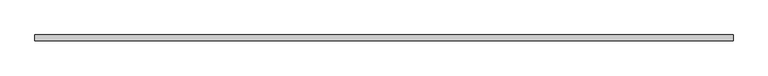
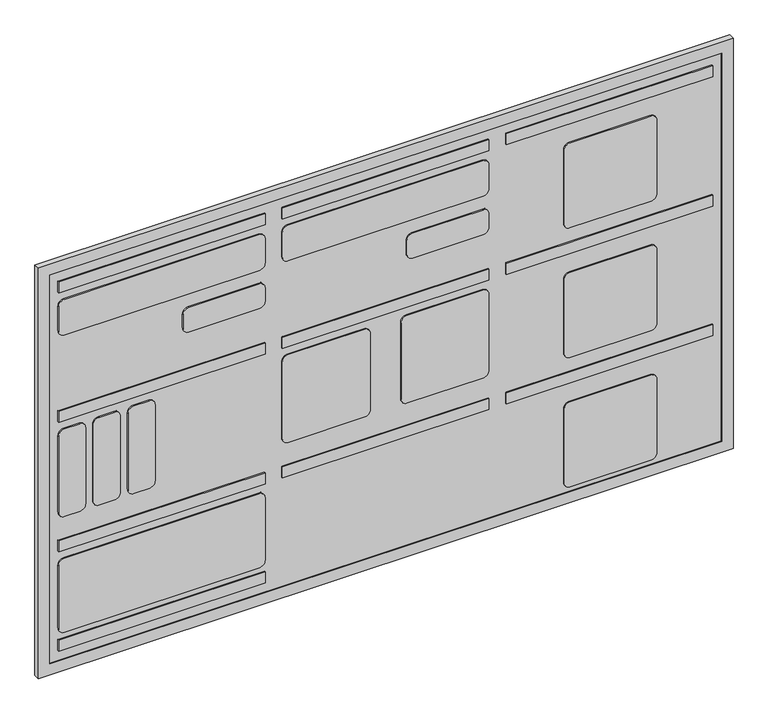
"""IFC4 building model written with IfcOpenShell, lengths in millimetres: proxy geometry."""

import ifcopenshell
import ifcopenshell.guid

model = None  # the IFC model being written
_history = None  # IfcOwnerHistory: only IFC2X3 demands one
_inside = {}  # id of a spatial element -> (the spatial element, [elements in it])
_under = {}  # id of a project, library or spatial element -> (it, [spatial elements below it])
_declared = {}  # id of a project -> (the project, [libraries it declares])
_typed = {}  # id of a type object -> (the type object, [elements of that type])
_made_of = {}  # id of a material, layer set ... -> (it, [elements and type objects made of it])


def new_model(schema):
    """Start an empty IFC model of exactly this schema.

    Asked for "IFC4X3", IfcOpenShell would pick the latest addendum, in which some entities
    have other attributes; the version numbers below select the first issue.
    IFC2X3 requires an IfcOwnerHistory on every rooted entity: one is made here for all.
    """
    global model, _history
    if schema == "IFC4X3":
        model = ifcopenshell.file(schema_version=(4, 3, 0, 0))
    else:
        model = ifcopenshell.file(schema=schema)
    _inside.clear()
    _under.clear()
    _declared.clear()
    _typed.clear()
    _made_of.clear()
    _history = None
    if model.schema == "IFC2X3":
        org = make("IfcOrganization", Name="unknown")
        user = make(
            "IfcPersonAndOrganization",
            ThePerson=make("IfcPerson", FamilyName="unknown"),
            TheOrganization=org,
        )
        app = make(
            "IfcApplication",
            ApplicationDeveloper=org,
            Version="unknown",
            ApplicationFullName="unknown",
            ApplicationIdentifier="unknown",
        )
        _history = make(
            "IfcOwnerHistory",
            OwningUser=user,
            OwningApplication=app,
            ChangeAction="ADDED",
            CreationDate=0,
        )
    return model


def make(cls, **values):
    """One entity of the class cls with the attributes given. An attribute that is None is left unset."""
    return model.create_entity(
        cls, **{name: value for name, value in values.items() if value is not None}
    )


def rooted(cls, **values):
    """An entity with a GlobalId (a new one), such as an element, a storey or a relation."""
    return make(cls, GlobalId=ifcopenshell.guid.new(), OwnerHistory=_history, **values)


def si_unit(unit_type, name, prefix=None):
    """IfcSIUnit, for example si_unit("LENGTHUNIT", "METRE", prefix="MILLI")."""
    return make("IfcSIUnit", UnitType=unit_type, Prefix=prefix, Name=name)


def assignment(units):
    """IfcUnitAssignment: the units of a project."""
    return None if units is None else make("IfcUnitAssignment", Units=units)


def point(xyz):
    """IfcCartesianPoint."""
    return None if xyz is None else make("IfcCartesianPoint", Coordinates=xyz)


def direction(xyz):
    """IfcDirection."""
    return None if xyz is None else make("IfcDirection", DirectionRatios=xyz)


def frame(location, z_axis=None, x_axis=None):
    """IfcAxis2Placement3D, a coordinate frame: its origin and axes. An axis left out is left unset."""
    return make(
        "IfcAxis2Placement3D",
        Location=point(location),
        Axis=direction(z_axis),
        RefDirection=direction(x_axis),
    )


def frame_2d(location, x_axis=None):
    """IfcAxis2Placement2D, a coordinate frame in the plane: its origin and x axis."""
    return make(
        "IfcAxis2Placement2D", Location=point(location), RefDirection=direction(x_axis)
    )


def origin():
    """The frame at (0, 0, 0) with its axes left unset."""
    return frame((0.0, 0.0, 0.0))


def place(relative_to, where):
    """IfcLocalPlacement: puts the frame where relative to a parent placement (None: the world)."""
    return make(
        "IfcLocalPlacement", PlacementRelTo=relative_to, RelativePlacement=where
    )


def context(
    kind, dimensions, precision=None, world=None, true_north=None, identifier=None
):
    """IfcGeometricRepresentationContext, for example the 3D "Model" context."""
    return make(
        "IfcGeometricRepresentationContext",
        ContextIdentifier=identifier,
        ContextType=kind,
        CoordinateSpaceDimension=dimensions,
        Precision=precision,
        WorldCoordinateSystem=world,
        TrueNorth=true_north,
    )


def project(units=None, contexts=None):
    """IfcProject with its units and contexts."""
    return rooted(
        "IfcProject",
        Name="project",
        RepresentationContexts=contexts,
        UnitsInContext=assignment(units),
    )


def spatial(cls, under=None, at=None, **own):
    """A site, building, storey or space (cls), placed at a placement, below another one or the project."""
    s = rooted(cls, ObjectPlacement=at, **own)
    if under is not None:
        _under.setdefault(under.id(), (under, []))[1].append(s)
    return s


def polyline(points):
    """IfcPolyline through the points."""
    return make("IfcPolyline", Points=[point(p) for p in points])


def circle_curve(where, radius):
    """IfcCircle in the frame where."""
    return make("IfcCircle", Position=where, Radius=radius)


def trimmed(basis, trim1, trim2, sense, master):
    """IfcTrimmedCurve: the piece of a basis curve between two trims."""
    return make(
        "IfcTrimmedCurve",
        BasisCurve=basis,
        Trim1=trim1,
        Trim2=trim2,
        SenseAgreement=sense,
        MasterRepresentation=master,
    )


def segment(curve, same_sense, transition):
    """IfcCompositeCurveSegment."""
    return make(
        "IfcCompositeCurveSegment",
        Transition=transition,
        SameSense=same_sense,
        ParentCurve=curve,
    )


def composite_curve(segments, self_intersect=None):
    """IfcCompositeCurve: segments joined end to end."""
    return make("IfcCompositeCurve", Segments=segments, SelfIntersect=self_intersect)


def outline(outer, holes=None, kind="AREA"):
    """IfcArbitraryClosedProfileDef: a profile drawn as a closed curve; with holes, ...WithVoids."""
    if holes is None:
        return make("IfcArbitraryClosedProfileDef", ProfileType=kind, OuterCurve=outer)
    return make(
        "IfcArbitraryProfileDefWithVoids",
        ProfileType=kind,
        OuterCurve=outer,
        InnerCurves=holes,
    )


def extrude(swept, where, along, depth):
    """IfcExtrudedAreaSolid: the profile swept, set in the frame where, extruded along a direction by depth."""
    return make(
        "IfcExtrudedAreaSolid",
        SweptArea=swept,
        Position=where,
        ExtrudedDirection=direction(along),
        Depth=depth,
    )


def shape(context_of_items, identifier, shape_type, items):
    """IfcShapeRepresentation: the items that make up one representation, for example the "Body"."""
    return make(
        "IfcShapeRepresentation",
        ContextOfItems=context_of_items,
        RepresentationIdentifier=identifier,
        RepresentationType=shape_type,
        Items=items,
    )


def source(mapping_origin, context_of_items, identifier, shape_type, items):
    """IfcRepresentationMap: a shape defined once, which mapped items show again and again."""
    return make(
        "IfcRepresentationMap",
        MappingOrigin=mapping_origin,
        MappedRepresentation=shape(context_of_items, identifier, shape_type, items),
    )


def transform(
    local_origin,
    x_axis=None,
    y_axis=None,
    z_axis=None,
    scale=None,
    scale2=None,
    scale3=None,
    uniform=True,
):
    """IfcCartesianTransformationOperator3D, or its non-uniform kind. x_axis, y_axis, z_axis: its Axis1, 2, 3."""
    if uniform:
        return make(
            "IfcCartesianTransformationOperator3D",
            Axis1=direction(x_axis),
            Axis2=direction(y_axis),
            LocalOrigin=point(local_origin),
            Scale=scale,
            Axis3=direction(z_axis),
        )
    return make(
        "IfcCartesianTransformationOperator3DnonUniform",
        Axis1=direction(x_axis),
        Axis2=direction(y_axis),
        LocalOrigin=point(local_origin),
        Scale=scale,
        Axis3=direction(z_axis),
        Scale2=scale2,
        Scale3=scale3,
    )


def mapped(mapping_source, mapping_target):
    """IfcMappedItem: shows the shape of a source again, moved by a transform."""
    return make(
        "IfcMappedItem", MappingSource=mapping_source, MappingTarget=mapping_target
    )


def made_of(thing, what):
    """Note that an element or type object is made of a material, layer set ...; save() writes the relation."""
    if what is not None:
        _made_of.setdefault(what.id(), (what, []))[1].append(thing)
    return thing


def element(
    cls,
    number,
    at=None,
    inside=None,
    cuts=None,
    type_object=None,
    material=None,
    context=None,
    identifier="Body",
    shape_type=None,
    held_by="IfcProductDefinitionShape",
    body=None,
    shapes=None,
    **own,
):
    """One element of the class cls, such as IfcWall. Its Tag is "e" and its number.

    at: its placement. inside: the storey or other place that contains it. cuts: it is an
    opening in that element (IfcRelVoidsElement). A single representation is given by context,
    identifier, shape_type and body (its items); several are given by shapes. held_by: the class
    of the entity that holds the representations. save() writes the other relations.
    """
    e = rooted(cls, Tag="e%d" % number, ObjectPlacement=at, **own)
    if body is not None:
        shapes = [shape(context, identifier, shape_type, body)]
    if shapes is not None:
        e.Representation = make(held_by, Representations=shapes)
    if inside is not None:
        _inside.setdefault(inside.id(), (inside, []))[1].append(e)
    if cuts is not None:
        rooted(
            "IfcRelVoidsElement", RelatingBuildingElement=cuts, RelatedOpeningElement=e
        )
    if type_object is not None:
        _typed.setdefault(type_object.id(), (type_object, []))[1].append(e)
    return made_of(e, material)


def aggregate(whole, parts):
    """IfcRelAggregates: a whole, such as a stair, and the parts it consists of."""
    return rooted("IfcRelAggregates", RelatingObject=whole, RelatedObjects=parts)


def save(model, path):
    """Write the relations noted so far, then the file.

    IfcRelAggregates (storeys below a building ...), IfcRelContainedInSpatialStructure (elements
    in a storey), IfcRelDefinesByType, IfcRelAssociatesMaterial and IfcRelDeclares: one each for
    every whole, place, type object, material and project.
    """
    for whole, parts in _under.values():
        aggregate(whole, parts)
    for where, things in _inside.values():
        rooted(
            "IfcRelContainedInSpatialStructure",
            RelatedElements=things,
            RelatingStructure=where,
        )
    for kind, things in _typed.values():
        rooted("IfcRelDefinesByType", RelatedObjects=things, RelatingType=kind)
    for what, things in _made_of.values():
        rooted("IfcRelAssociatesMaterial", RelatedObjects=things, RelatingMaterial=what)
    for by, libraries in _declared.values():
        rooted("IfcRelDeclares", RelatingContext=by, RelatedDefinitions=libraries)
    model.write(path)


def specialty_equipment_24b386f5(model_context):
    return source(origin(), model_context, "Body", "SweptSolid", [
        extrude(outline(composite_curve([segment(polyline([(1687.3012761, -218.34), (1687.3012761, -555.0)]), True, "CONTINUOUS"), segment(trimmed(circle_curve(frame_2d((1677.3012761, -555.0)), 10.0), [point((1687.3012761, -555.0))], [point((1677.3012761, -565.0))], False, "CARTESIAN"), True, "CONTINUOUS"), segment(polyline([(1677.3012761, -565.0), (1632.3012761, -565.0)]), True, "CONTINUOUS"), segment(trimmed(circle_curve(frame_2d((1632.3012761, -555.0)), 10.0), [point((1632.3012761, -565.0))], [point((1622.3012761, -555.0))], False, "CARTESIAN"), True, "CONTINUOUS"), segment(polyline([(1622.3012761, -555.0), (1622.3012761, -218.34)]), True, "CONTINUOUS"), segment(trimmed(circle_curve(frame_2d((1632.3012761, -218.34)), 10.0), [point((1622.3012761, -218.34))], [point((1632.3012761, -208.34))], False, "CARTESIAN"), True, "CONTINUOUS"), segment(polyline([(1632.3012761, -208.34), (1677.3012761, -208.34)]), True, "CONTINUOUS"), segment(trimmed(circle_curve(frame_2d((1677.3012761, -218.34)), 10.0), [point((1677.3012761, -208.34))], [point((1687.3012761, -218.34))], False, "CARTESIAN"), True, "CONTINUOUS")], self_intersect=False)), frame((0.0, -10.0, 0.0), z_axis=(0.0, 1.0, 0.0), x_axis=(0.0, 0.0, 1.0)), (0.0, 0.0, 1.0), 10.0),
        extrude(outline(composite_curve([segment(polyline([(1213.9812761, -218.34), (1213.9812761, -555.0)]), True, "CONTINUOUS"), segment(trimmed(circle_curve(frame_2d((1203.9812761, -555.0)), 10.0), [point((1213.9812761, -555.0))], [point((1203.9812761, -565.0))], False, "CARTESIAN"), True, "CONTINUOUS"), segment(polyline([(1203.9812761, -565.0), (1088.9812761, -565.0)]), True, "CONTINUOUS"), segment(trimmed(circle_curve(frame_2d((1088.9812761, -555.0)), 10.0), [point((1088.9812761, -565.0))], [point((1078.9812761, -555.0))], False, "CARTESIAN"), True, "CONTINUOUS"), segment(polyline([(1078.9812761, -555.0), (1078.9812761, -218.34)]), True, "CONTINUOUS"), segment(trimmed(circle_curve(frame_2d((1088.9812761, -218.34)), 10.0), [point((1078.9812761, -218.34))], [point((1088.9812761, -208.34))], False, "CARTESIAN"), True, "CONTINUOUS"), segment(polyline([(1088.9812761, -208.34), (1203.9812761, -208.34)]), True, "CONTINUOUS"), segment(trimmed(circle_curve(frame_2d((1203.9812761, -218.34)), 10.0), [point((1203.9812761, -208.34))], [point((1213.9812761, -218.34))], False, "CARTESIAN"), True, "CONTINUOUS")], self_intersect=False)), frame((0.0, -10.0, 0.0), z_axis=(0.0, 1.0, 0.0), x_axis=(0.0, 0.0, 1.0)), (0.0, 0.0, 1.0), 10.0),
        extrude(outline(composite_curve([segment(polyline([(1687.3012761, 168.32), (1687.3012761, -168.34)]), True, "CONTINUOUS"), segment(trimmed(circle_curve(frame_2d((1677.3012761, -168.34)), 10.0), [point((1687.3012761, -168.34))], [point((1677.3012761, -178.34))], False, "CARTESIAN"), True, "CONTINUOUS"), segment(polyline([(1677.3012761, -178.34), (1632.3012761, -178.34)]), True, "CONTINUOUS"), segment(trimmed(circle_curve(frame_2d((1632.3012761, -168.34)), 10.0), [point((1632.3012761, -178.34))], [point((1622.3012761, -168.34))], False, "CARTESIAN"), True, "CONTINUOUS"), segment(polyline([(1622.3012761, -168.34), (1622.3012761, 168.32)]), True, "CONTINUOUS"), segment(trimmed(circle_curve(frame_2d((1632.3012761, 168.32)), 10.0), [point((1622.3012761, 168.32))], [point((1632.3012761, 178.32))], False, "CARTESIAN"), True, "CONTINUOUS"), segment(polyline([(1632.3012761, 178.32), (1677.3012761, 178.32)]), True, "CONTINUOUS"), segment(trimmed(circle_curve(frame_2d((1677.3012761, 168.32)), 10.0), [point((1677.3012761, 178.32))], [point((1687.3012761, 168.32))], False, "CARTESIAN"), True, "CONTINUOUS")], self_intersect=False)), frame((0.0, -10.0, 0.0), z_axis=(0.0, 1.0, 0.0), x_axis=(0.0, 0.0, 1.0)), (0.0, 0.0, 1.0), 10.0),
        extrude(outline(composite_curve([segment(polyline([(1667.3012761, 458.32), (1667.3012761, 318.32)]), True, "CONTINUOUS"), segment(trimmed(circle_curve(frame_2d((1657.3012761, 318.32)), 10.0), [point((1667.3012761, 318.32))], [point((1657.3012761, 308.32))], False, "CARTESIAN"), True, "CONTINUOUS"), segment(polyline([(1657.3012761, 308.32), (1522.3012761, 308.32)]), True, "CONTINUOUS"), segment(trimmed(circle_curve(frame_2d((1522.3012761, 318.32)), 10.0), [point((1522.3012761, 308.32))], [point((1512.3012761, 318.32))], False, "CARTESIAN"), True, "CONTINUOUS"), segment(polyline([(1512.3012761, 318.32), (1512.3012761, 458.32)]), True, "CONTINUOUS"), segment(trimmed(circle_curve(frame_2d((1522.3012761, 458.32)), 10.0), [point((1512.3012761, 458.32))], [point((1522.3012761, 468.32))], False, "CARTESIAN"), True, "CONTINUOUS"), segment(polyline([(1522.3012761, 468.32), (1657.3012761, 468.32)]), True, "CONTINUOUS"), segment(trimmed(circle_curve(frame_2d((1657.3012761, 458.32)), 10.0), [point((1657.3012761, 468.32))], [point((1667.3012761, 458.32))], False, "CARTESIAN"), True, "CONTINUOUS")], self_intersect=False)), frame((0.0, -10.0, 0.0), z_axis=(0.0, 1.0, 0.0), x_axis=(0.0, 0.0, 1.0)), (0.0, 0.0, 1.0), 10.0),
        extrude(outline(composite_curve([segment(polyline([(1430.6412761, 458.32), (1430.6412761, 318.32)]), True, "CONTINUOUS"), segment(trimmed(circle_curve(frame_2d((1420.6412761, 318.32)), 10.0), [point((1430.6412761, 318.32))], [point((1420.6412761, 308.32))], False, "CARTESIAN"), True, "CONTINUOUS"), segment(polyline([(1420.6412761, 308.32), (1285.6412761, 308.32)]), True, "CONTINUOUS"), segment(trimmed(circle_curve(frame_2d((1285.6412761, 318.32)), 10.0), [point((1285.6412761, 308.32))], [point((1275.6412761, 318.32))], False, "CARTESIAN"), True, "CONTINUOUS"), segment(polyline([(1275.6412761, 318.32), (1275.6412761, 458.32)]), True, "CONTINUOUS"), segment(trimmed(circle_curve(frame_2d((1285.6412761, 458.32)), 10.0), [point((1275.6412761, 458.32))], [point((1285.6412761, 468.32))], False, "CARTESIAN"), True, "CONTINUOUS"), segment(polyline([(1285.6412761, 468.32), (1420.6412761, 468.32)]), True, "CONTINUOUS"), segment(trimmed(circle_curve(frame_2d((1420.6412761, 458.32)), 10.0), [point((1420.6412761, 468.32))], [point((1430.6412761, 458.32))], False, "CARTESIAN"), True, "CONTINUOUS")], self_intersect=False)), frame((0.0, -10.0, 0.0), z_axis=(0.0, 1.0, 0.0), x_axis=(0.0, 0.0, 1.0)), (0.0, 0.0, 1.0), 10.0),
        extrude(outline(composite_curve([segment(polyline([(1193.9812761, 458.32), (1193.9812761, 318.32)]), True, "CONTINUOUS"), segment(trimmed(circle_curve(frame_2d((1183.9812761, 318.32)), 10.0), [point((1193.9812761, 318.32))], [point((1183.9812761, 308.32))], False, "CARTESIAN"), True, "CONTINUOUS"), segment(polyline([(1183.9812761, 308.32), (1048.9812761, 308.32)]), True, "CONTINUOUS"), segment(trimmed(circle_curve(frame_2d((1048.9812761, 318.32)), 10.0), [point((1048.9812761, 308.32))], [point((1038.9812761, 318.32))], False, "CARTESIAN"), True, "CONTINUOUS"), segment(polyline([(1038.9812761, 318.32), (1038.9812761, 458.32)]), True, "CONTINUOUS"), segment(trimmed(circle_curve(frame_2d((1048.9812761, 458.32)), 10.0), [point((1038.9812761, 458.32))], [point((1048.9812761, 468.32))], False, "CARTESIAN"), True, "CONTINUOUS"), segment(polyline([(1048.9812761, 468.32), (1183.9812761, 468.32)]), True, "CONTINUOUS"), segment(trimmed(circle_curve(frame_2d((1183.9812761, 458.32)), 10.0), [point((1183.9812761, 468.32))], [point((1193.9812761, 458.32))], False, "CARTESIAN"), True, "CONTINUOUS")], self_intersect=False)), frame((0.0, -10.0, 0.0), z_axis=(0.0, 1.0, 0.0), x_axis=(0.0, 0.0, 1.0)), (0.0, 0.0, 1.0), 10.0),
        extrude(outline(composite_curve([segment(polyline([(1450.6412761, 168.32), (1450.6412761, 36.66)]), True, "CONTINUOUS"), segment(trimmed(circle_curve(frame_2d((1440.6412761, 36.66)), 10.0), [point((1450.6412761, 36.66))], [point((1440.6412761, 26.66))], False, "CARTESIAN"), True, "CONTINUOUS"), segment(polyline([(1440.6412761, 26.66), (1300.6412761, 26.66)]), True, "CONTINUOUS"), segment(trimmed(circle_curve(frame_2d((1300.6412761, 36.66)), 10.0), [point((1300.6412761, 26.66))], [point((1290.6412761, 36.66))], False, "CARTESIAN"), True, "CONTINUOUS"), segment(polyline([(1290.6412761, 36.66), (1290.6412761, 168.32)]), True, "CONTINUOUS"), segment(trimmed(circle_curve(frame_2d((1300.6412761, 168.32)), 10.0), [point((1290.6412761, 168.32))], [point((1300.6412761, 178.32))], False, "CARTESIAN"), True, "CONTINUOUS"), segment(polyline([(1300.6412761, 178.32), (1440.6412761, 178.32)]), True, "CONTINUOUS"), segment(trimmed(circle_curve(frame_2d((1440.6412761, 168.32)), 10.0), [point((1440.6412761, 178.32))], [point((1450.6412761, 168.32))], False, "CARTESIAN"), True, "CONTINUOUS")], self_intersect=False)), frame((0.0, -10.0, 0.0), z_axis=(0.0, 1.0, 0.0), x_axis=(0.0, 0.0, 1.0)), (0.0, 0.0, 1.0), 10.0),
        extrude(outline(composite_curve([segment(trimmed(circle_curve(frame_2d((1440.6412761, -168.32)), 10.0), [point((1450.6412761, -168.32))], [point((1440.6412761, -178.32))], False, "CARTESIAN"), True, "CONTINUOUS"), segment(polyline([(1440.6412761, -178.32), (1300.6412761, -178.32)]), True, "CONTINUOUS"), segment(trimmed(circle_curve(frame_2d((1300.6412761, -168.32)), 10.0), [point((1300.6412761, -178.32))], [point((1290.6412761, -168.32))], False, "CARTESIAN"), True, "CONTINUOUS"), segment(polyline([(1290.6412761, -168.32), (1290.6412761, -36.66)]), True, "CONTINUOUS"), segment(trimmed(circle_curve(frame_2d((1300.6412761, -36.66)), 10.0), [point((1290.6412761, -36.66))], [point((1300.6412761, -26.66))], False, "CARTESIAN"), True, "CONTINUOUS"), segment(polyline([(1300.6412761, -26.66), (1440.6412761, -26.66)]), True, "CONTINUOUS"), segment(trimmed(circle_curve(frame_2d((1440.6412761, -36.66)), 10.0), [point((1440.6412761, -26.66))], [point((1450.6412761, -36.66))], False, "CARTESIAN"), True, "CONTINUOUS"), segment(polyline([(1450.6412761, -36.66), (1450.6412761, -168.32)]), True, "CONTINUOUS")], self_intersect=False)), frame((0.0, -10.0, 0.0), z_axis=(0.0, 1.0, 0.0), x_axis=(0.0, 0.0, 1.0)), (0.0, 0.0, 1.0), 10.0),
        extrude(outline(composite_curve([segment(trimmed(circle_curve(frame_2d((1440.6412761, -554.98)), 10.0), [point((1450.6412761, -554.98))], [point((1440.6412761, -564.98))], False, "CARTESIAN"), True, "CONTINUOUS"), segment(polyline([(1440.6412761, -564.98), (1300.6412761, -564.98)]), True, "CONTINUOUS"), segment(trimmed(circle_curve(frame_2d((1300.6412761, -554.98)), 10.0), [point((1300.6412761, -564.98))], [point((1290.6412761, -554.98))], False, "CARTESIAN"), True, "CONTINUOUS"), segment(polyline([(1290.6412761, -554.98), (1290.6412761, -528.32)]), True, "CONTINUOUS"), segment(trimmed(circle_curve(frame_2d((1300.6412761, -528.32)), 10.0), [point((1290.6412761, -528.32))], [point((1300.6412761, -518.32))], False, "CARTESIAN"), True, "CONTINUOUS"), segment(polyline([(1300.6412761, -518.32), (1440.6412761, -518.32)]), True, "CONTINUOUS"), segment(trimmed(circle_curve(frame_2d((1440.6412761, -528.32)), 10.0), [point((1440.6412761, -518.32))], [point((1450.6412761, -528.32))], False, "CARTESIAN"), True, "CONTINUOUS"), segment(polyline([(1450.6412761, -528.32), (1450.6412761, -554.98)]), True, "CONTINUOUS")], self_intersect=False)), frame((0.0, -10.0, 0.0), z_axis=(0.0, 1.0, 0.0), x_axis=(0.0, 0.0, 1.0)), (0.0, 0.0, 1.0), 10.0),
        extrude(outline(composite_curve([segment(trimmed(circle_curve(frame_2d((1440.6412761, -494.98)), 10.0), [point((1450.6412761, -494.98))], [point((1440.6412761, -504.98))], False, "CARTESIAN"), True, "CONTINUOUS"), segment(polyline([(1440.6412761, -504.98), (1300.6412761, -504.98)]), True, "CONTINUOUS"), segment(trimmed(circle_curve(frame_2d((1300.6412761, -494.98)), 10.0), [point((1300.6412761, -504.98))], [point((1290.6412761, -494.98))], False, "CARTESIAN"), True, "CONTINUOUS"), segment(polyline([(1290.6412761, -494.98), (1290.6412761, -468.32)]), True, "CONTINUOUS"), segment(trimmed(circle_curve(frame_2d((1300.6412761, -468.32)), 10.0), [point((1290.6412761, -468.32))], [point((1300.6412761, -458.32))], False, "CARTESIAN"), True, "CONTINUOUS"), segment(polyline([(1300.6412761, -458.32), (1440.6412761, -458.32)]), True, "CONTINUOUS"), segment(trimmed(circle_curve(frame_2d((1440.6412761, -468.32)), 10.0), [point((1440.6412761, -458.32))], [point((1450.6412761, -468.32))], False, "CARTESIAN"), True, "CONTINUOUS"), segment(polyline([(1450.6412761, -468.32), (1450.6412761, -494.98)]), True, "CONTINUOUS")], self_intersect=False)), frame((0.0, -10.0, 0.0), z_axis=(0.0, 1.0, 0.0), x_axis=(0.0, 0.0, 1.0)), (0.0, 0.0, 1.0), 10.0),
        extrude(outline(composite_curve([segment(trimmed(circle_curve(frame_2d((1440.6412761, -434.98)), 10.0), [point((1450.6412761, -434.98))], [point((1440.6412761, -444.98))], False, "CARTESIAN"), True, "CONTINUOUS"), segment(polyline([(1440.6412761, -444.98), (1300.6412761, -444.98)]), True, "CONTINUOUS"), segment(trimmed(circle_curve(frame_2d((1300.6412761, -434.98)), 10.0), [point((1300.6412761, -444.98))], [point((1290.6412761, -434.98))], False, "CARTESIAN"), True, "CONTINUOUS"), segment(polyline([(1290.6412761, -434.98), (1290.6412761, -408.32)]), True, "CONTINUOUS"), segment(trimmed(circle_curve(frame_2d((1300.6412761, -408.32)), 10.0), [point((1290.6412761, -408.32))], [point((1300.6412761, -398.32))], False, "CARTESIAN"), True, "CONTINUOUS"), segment(polyline([(1300.6412761, -398.32), (1440.6412761, -398.32)]), True, "CONTINUOUS"), segment(trimmed(circle_curve(frame_2d((1440.6412761, -408.32)), 10.0), [point((1440.6412761, -398.32))], [point((1450.6412761, -408.32))], False, "CARTESIAN"), True, "CONTINUOUS"), segment(polyline([(1450.6412761, -408.32), (1450.6412761, -434.98)]), True, "CONTINUOUS")], self_intersect=False)), frame((0.0, -10.0, 0.0), z_axis=(0.0, 1.0, 0.0), x_axis=(0.0, 0.0, 1.0)), (0.0, 0.0, 1.0), 10.0),
        extrude(outline(composite_curve([segment(polyline([(1597.3012761, -218.34), (1597.3012761, -340.0)]), True, "CONTINUOUS"), segment(trimmed(circle_curve(frame_2d((1587.3012761, -340.0)), 10.0), [point((1597.3012761, -340.0))], [point((1587.3012761, -350.0))], False, "CARTESIAN"), True, "CONTINUOUS"), segment(polyline([(1587.3012761, -350.0), (1562.3012761, -350.0)]), True, "CONTINUOUS"), segment(trimmed(circle_curve(frame_2d((1562.3012761, -340.0)), 10.0), [point((1562.3012761, -350.0))], [point((1552.3012761, -340.0))], False, "CARTESIAN"), True, "CONTINUOUS"), segment(polyline([(1552.3012761, -340.0), (1552.3012761, -218.34)]), True, "CONTINUOUS"), segment(trimmed(circle_curve(frame_2d((1562.3012761, -218.34)), 10.0), [point((1552.3012761, -218.34))], [point((1562.3012761, -208.34))], False, "CARTESIAN"), True, "CONTINUOUS"), segment(polyline([(1562.3012761, -208.34), (1587.3012761, -208.34)]), True, "CONTINUOUS"), segment(trimmed(circle_curve(frame_2d((1587.3012761, -218.34)), 10.0), [point((1587.3012761, -208.34))], [point((1597.3012761, -218.34))], False, "CARTESIAN"), True, "CONTINUOUS")], self_intersect=False)), frame((0.0, -10.0, 0.0), z_axis=(0.0, 1.0, 0.0), x_axis=(0.0, 0.0, 1.0)), (0.0, 0.0, 1.0), 10.0),
        extrude(outline(composite_curve([segment(polyline([(1597.3012761, 168.32), (1597.3012761, 46.66)]), True, "CONTINUOUS"), segment(trimmed(circle_curve(frame_2d((1587.3012761, 46.66)), 10.0), [point((1597.3012761, 46.66))], [point((1587.3012761, 36.66))], False, "CARTESIAN"), True, "CONTINUOUS"), segment(polyline([(1587.3012761, 36.66), (1562.3012761, 36.66)]), True, "CONTINUOUS"), segment(trimmed(circle_curve(frame_2d((1562.3012761, 46.66)), 10.0), [point((1562.3012761, 36.66))], [point((1552.3012761, 46.66))], False, "CARTESIAN"), True, "CONTINUOUS"), segment(polyline([(1552.3012761, 46.66), (1552.3012761, 168.32)]), True, "CONTINUOUS"), segment(trimmed(circle_curve(frame_2d((1562.3012761, 168.32)), 10.0), [point((1552.3012761, 168.32))], [point((1562.3012761, 178.32))], False, "CARTESIAN"), True, "CONTINUOUS"), segment(polyline([(1562.3012761, 178.32), (1587.3012761, 178.32)]), True, "CONTINUOUS"), segment(trimmed(circle_curve(frame_2d((1587.3012761, 168.32)), 10.0), [point((1587.3012761, 178.32))], [point((1597.3012761, 168.32))], False, "CARTESIAN"), True, "CONTINUOUS")], self_intersect=False)), frame((0.0, -10.0, 0.0), z_axis=(0.0, 1.0, 0.0), x_axis=(0.0, 0.0, 1.0)), (0.0, 0.0, 1.0), 10.0),
        extrude(outline(polyline([(-208.34, -10.0), (-565.0, -10.0), (-565.0, 0.0), (-208.34, 0.0), (-208.34, -10.0)])), frame((0.0, 0.0, 1702.3012761), z_axis=(0.0, 0.0, 1.0), x_axis=(1.0, 0.0, 0.0)), (0.0, 0.0, 1.0), 20.0),
        extrude(outline(polyline([(178.32, -10.0), (-178.34, -10.0), (-178.34, 0.0), (178.32, 0.0), (178.32, -10.0)])), frame((0.0, 0.0, 1702.3012761), z_axis=(0.0, 0.0, 1.0), x_axis=(1.0, 0.0, 0.0)), (0.0, 0.0, 1.0), 20.0),
        extrude(outline(polyline([(564.98, -10.0), (208.32, -10.0), (208.32, 0.0), (564.98, 0.0), (564.98, -10.0)])), frame((0.0, 0.0, 1702.3012761), z_axis=(0.0, 0.0, 1.0), x_axis=(1.0, 0.0, 0.0)), (0.0, 0.0, 1.0), 20.0),
        extrude(outline(polyline([(-208.34, -10.0), (-565.0, -10.0), (-565.0, 0.0), (-208.34, 0.0), (-208.34, -10.0)])), frame((0.0, 0.0, 1465.6412761), z_axis=(0.0, 0.0, 1.0), x_axis=(1.0, 0.0, 0.0)), (0.0, 0.0, 1.0), 20.0),
        extrude(outline(polyline([(178.32, -10.0), (-178.34, -10.0), (-178.34, 0.0), (178.32, 0.0), (178.32, -10.0)])), frame((0.0, 0.0, 1465.6412761), z_axis=(0.0, 0.0, 1.0), x_axis=(1.0, 0.0, 0.0)), (0.0, 0.0, 1.0), 20.0),
        extrude(outline(polyline([(564.98, -10.0), (208.32, -10.0), (208.32, 0.0), (564.98, 0.0), (564.98, -10.0)])), frame((0.0, 0.0, 1465.6412761), z_axis=(0.0, 0.0, 1.0), x_axis=(1.0, 0.0, 0.0)), (0.0, 0.0, 1.0), 20.0),
        extrude(outline(polyline([(-208.34, -10.0), (-565.0, -10.0), (-565.0, 0.0), (-208.34, 0.0), (-208.34, -10.0)])), frame((0.0, 0.0, 1228.9812761), z_axis=(0.0, 0.0, 1.0), x_axis=(1.0, 0.0, 0.0)), (0.0, 0.0, 1.0), 20.0),
        extrude(outline(polyline([(178.32, -10.0), (-178.34, -10.0), (-178.34, 0.0), (178.32, 0.0), (178.32, -10.0)])), frame((0.0, 0.0, 1228.9812761), z_axis=(0.0, 0.0, 1.0), x_axis=(1.0, 0.0, 0.0)), (0.0, 0.0, 1.0), 20.0),
        extrude(outline(polyline([(564.98, -10.0), (208.32, -10.0), (208.32, 0.0), (564.98, 0.0), (564.98, -10.0)])), frame((0.0, 0.0, 1228.9812761), z_axis=(0.0, 0.0, 1.0), x_axis=(1.0, 0.0, 0.0)), (0.0, 0.0, 1.0), 20.0),
        extrude(outline(polyline([(-208.34, -10.0), (-565.0, -10.0), (-565.0, 0.0), (-208.34, 0.0), (-208.34, -10.0)])), frame((0.0, 0.0, 1047.6987239), z_axis=(0.0, 0.0, 1.0), x_axis=(1.0, 0.0, 0.0)), (0.0, 0.0, 1.0), 20.0),
        extrude(outline(polyline([(580.0, -8.0), (-580.0, -8.0), (-580.0, 0.0), (580.0, 0.0), (580.0, -8.0)])), frame((0.0, 0.0, 1030.0), z_axis=(0.0, 0.0, 1.0), x_axis=(1.0, 0.0, 0.0)), (0.0, 0.0, 1.0), 710.0),
        extrude(outline(polyline([(1010.0, 600.0), (1760.0, 600.0), (1760.0, -600.0), (1010.0, -600.0), (1010.0, 600.0)]), holes=[polyline([(1740.0, 580.0), (1030.0, 580.0), (1030.0, -580.0), (1740.0, -580.0), (1740.0, 580.0)])]), frame((0.0, -10.0, 0.0), z_axis=(0.0, 1.0, 0.0), x_axis=(0.0, 0.0, 1.0)), (0.0, 0.0, 1.0), 10.0),
    ])


if __name__ == "__main__":
    model = new_model("IFC4")
    model_context = context("Model", 3, world=origin())
    ifc_project = project(units=[si_unit("LENGTHUNIT", "METRE", prefix="MILLI")], contexts=[model_context])
    site = spatial("IfcSite", under=ifc_project)
    building = spatial("IfcBuilding", under=site)
    placement = place(None, origin())
    specialty_equipment_shape = specialty_equipment_24b386f5(model_context)
    element("IfcBuildingElementProxy", 1, Name="Specialty Equipment", at=placement, inside=building, context=model_context, shape_type="MappedRepresentation", body=[
        mapped(specialty_equipment_shape, transform((0.0, 0.0, 0.0), x_axis=(1.0, 0.0, 0.0), y_axis=(0.0, 1.0, 0.0), z_axis=(0.0, 0.0, 1.0))),
    ])
    save(model, "model.ifc")
